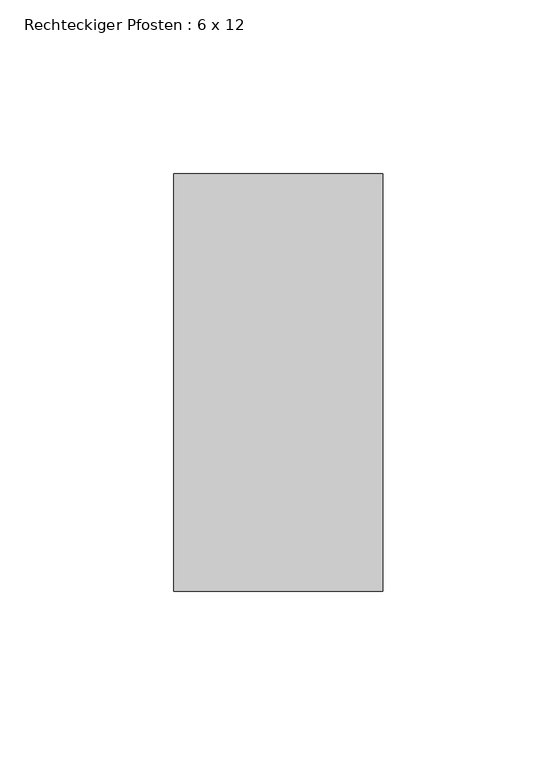
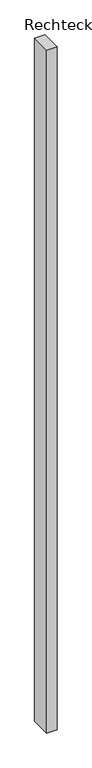
"""IFC4 building model written with IfcOpenShell, lengths in millimetres: member geometry, Rechteckiger Pfosten : 6 x 12."""

from ifc_helpers import new_model, si_unit, frame, origin, place, context, project, spatial, polyline, outline, extrude, source, transform, mapped, element, save


def rechteckiger_pfosten_6_x_12_14603240(model_context):
    return source(origin(), model_context, "Body", "SweptSolid", [
        extrude(outline(polyline([(0.0, 60.0), (0.0, -60.0), (-60.0, -60.0), (-60.0, 60.0), (0.0, 60.0)])), frame((0.0, 0.0, -4190.0), z_axis=(0.0, 0.0, 1.0), x_axis=(1.0, 0.0, 0.0)), (0.0, 0.0, 1.0), 4190.0),
    ])


if __name__ == "__main__":
    model = new_model("IFC4")
    model_context = context("Model", 3, world=origin())
    ifc_project = project(units=[si_unit("LENGTHUNIT", "METRE", prefix="MILLI")], contexts=[model_context])
    site = spatial("IfcSite", under=ifc_project)
    building = spatial("IfcBuilding", under=site)
    placement = place(None, origin())
    rechteckiger_pfosten_6_x_12_shape = rechteckiger_pfosten_6_x_12_14603240(model_context)
    element("IfcMember", 1, ObjectType="Rechteckiger Pfosten : 6 x 12", at=placement, inside=building, context=model_context, shape_type="MappedRepresentation", body=[
        mapped(rechteckiger_pfosten_6_x_12_shape, transform((0.0, 0.0, 0.0), x_axis=(1.0, 0.0, 0.0), y_axis=(0.0, 1.0, 0.0), z_axis=(0.0, 0.0, 1.0))),
    ])
    save(model, "model.ifc")
